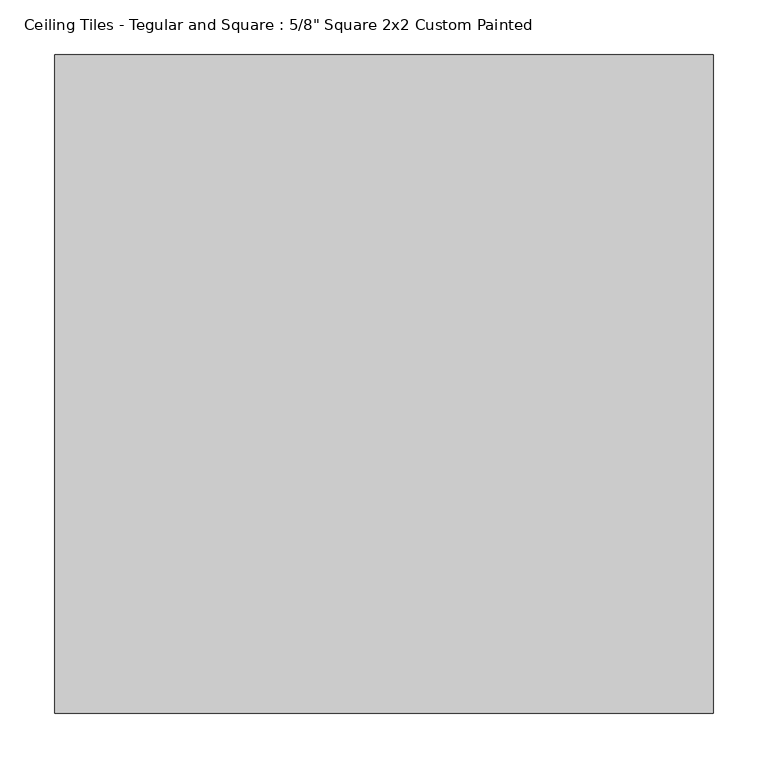
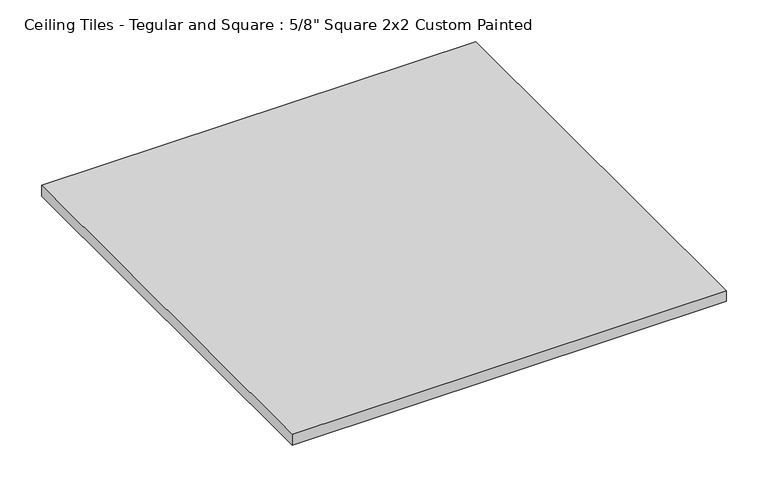
"""IFC4 building model written with IfcOpenShell, lengths in millimetres: proxy geometry."""

from ifc_helpers import new_model, si_unit, origin, origin_with_axes, place, context, project, spatial, polyline, outline, extrude, source, transform, mapped, element, save


def proxy_2775cc08(model_context):
    return source(origin(), model_context, "Body", "SweptSolid", [
        extrude(outline(polyline([(-301.625, 301.625), (301.625, 301.625), (301.625, -301.625), (-301.625, -301.625), (-301.625, 301.625)])), origin_with_axes(), (0.0, 0.0, 1.0), 15.875),
    ])


if __name__ == "__main__":
    model = new_model("IFC4")
    model_context = context("Model", 3, world=origin())
    ifc_project = project(units=[si_unit("LENGTHUNIT", "METRE", prefix="MILLI")], contexts=[model_context])
    site = spatial("IfcSite", under=ifc_project)
    building = spatial("IfcBuilding", under=site)
    placement = place(None, origin())
    proxy_shape = proxy_2775cc08(model_context)
    element("IfcBuildingElementProxy", 1, Name="Ceiling Tiles - Tegular and Square : 5/8\" Square 2x2 Custom Painted", ObjectType="Ceiling Tiles - Tegular and Square : 5/8\" Square 2x2 Custom Painted", at=placement, inside=building, context=model_context, shape_type="MappedRepresentation", body=[
        mapped(proxy_shape, transform((0.0, 0.0, 0.0), x_axis=(1.0, 0.0, 0.0), y_axis=(0.0, 1.0, 0.0), z_axis=(0.0, 0.0, 1.0))),
    ])
    save(model, "model.ifc")
